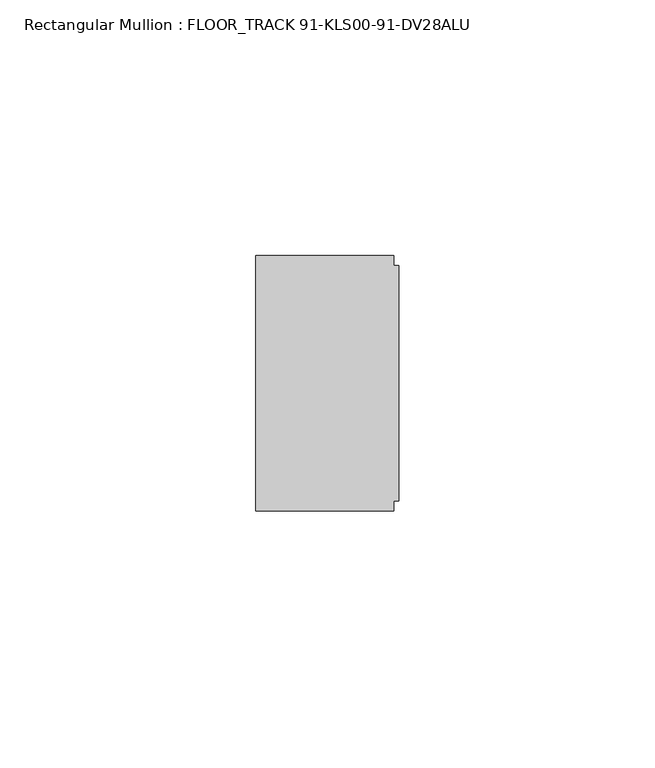
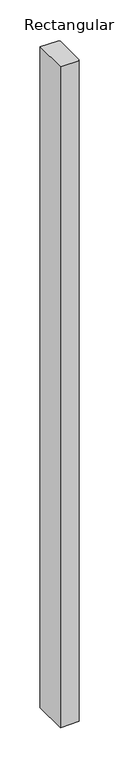
"""IFC4 building model written with IfcOpenShell, lengths in millimetres: member geometry, Rectangular Mullion : FLOOR_TRACK 91-KLS00-91-DV28ALU."""

from ifc_helpers import new_model, si_unit, frame, origin, place, context, project, spatial, polyline, outline, extrude, source, transform, mapped, element, save


def rectangular_mullion_floor_track_91_kls00_91_dv28alu_6c94754f(model_context):
    return source(origin(), model_context, "Body", "SweptSolid", [
        extrude(outline(polyline([(-1.0, 25.0), (-1.0, 23.0), (0.0, 23.0), (0.0, -23.0), (-1.0, -23.0), (-1.0, -25.0), (-28.0, -25.0), (-28.0, 25.0), (-1.0, 25.0)])), frame((0.0, 0.0, -1000.0), z_axis=(0.0, 0.0, 1.0), x_axis=(1.0, 0.0, 0.0)), (0.0, 0.0, 1.0), 1000.0),
    ])


if __name__ == "__main__":
    model = new_model("IFC4")
    model_context = context("Model", 3, world=origin())
    ifc_project = project(units=[si_unit("LENGTHUNIT", "METRE", prefix="MILLI")], contexts=[model_context])
    site = spatial("IfcSite", under=ifc_project)
    building = spatial("IfcBuilding", under=site)
    placement = place(None, origin())
    rectangular_mullion_floor_track_91_kls00_91_dv28alu_shape = rectangular_mullion_floor_track_91_kls00_91_dv28alu_6c94754f(model_context)
    element("IfcMember", 1, ObjectType="Rectangular Mullion : FLOOR_TRACK 91-KLS00-91-DV28ALU", at=placement, inside=building, context=model_context, shape_type="MappedRepresentation", body=[
        mapped(rectangular_mullion_floor_track_91_kls00_91_dv28alu_shape, transform((0.0, 0.0, 0.0), x_axis=(1.0, 0.0, 0.0), y_axis=(0.0, 1.0, 0.0), z_axis=(0.0, 0.0, 1.0))),
    ])
    save(model, "model.ifc")
